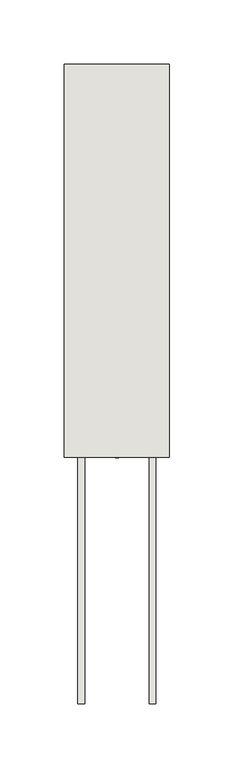
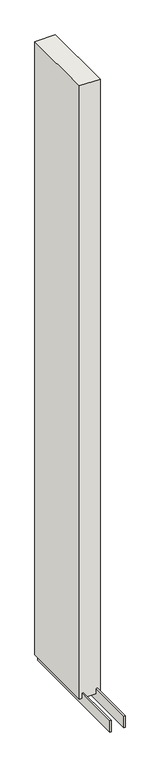
"""IFC4 building model written with IfcOpenShell, lengths in millimetres: wall geometry."""

from ifc_helpers import new_model, si_unit, frame, origin, place, context, project, spatial, polyline, outline, extrude, source, transform, mapped, element, save


def wall_4edbb49a(model_context):
    return source(origin(), model_context, "Body", "SweptSolid", [
        extrude(outline(polyline([(59186.482211, -45379.941371), (59186.482211, -45382.481371), (59183.942211, -45382.481371), (59183.942211, -45379.941371), (59186.482211, -45379.941371)])), frame((0.0, 0.0, 4419.6), z_axis=(0.0, 0.0, 1.0), x_axis=(1.0, 0.0, 0.0)), (0.0, 0.0, 1.0), 2.54),
        extrude(outline(polyline([(59160.1284664, -45077.6857144), (59160.1284664, -45572.9857144), (59155.049711, -45572.9857144), (59155.049711, -45077.6857144), (59160.1284664, -45077.6857144)])), frame((0.0, 0.0, 4418.6602), z_axis=(0.0, 0.0, 1.0), x_axis=(1.0, 0.0, 0.0)), (0.0, 0.0, 1.0), 47.625),
        extrude(outline(polyline([(59160.1284664, -45077.6857144), (59160.1284664, -45572.9857144), (59155.049711, -45572.9857144), (59155.049711, -45077.6857144), (59160.1284664, -45077.6857144)])), frame((0.0, 0.0, 4418.6602), z_axis=(0.0, 0.0, 1.0), x_axis=(1.0, 0.0, 0.0)), (0.0, 0.0, 1.0), 47.625),
        extrude(outline(polyline([(59210.2959556, -45572.9857144), (59210.2959556, -45077.6857144), (59215.374711, -45077.6857144), (59215.374711, -45572.9857144), (59210.2959556, -45572.9857144)])), frame((0.0, 0.0, 4418.6602), z_axis=(0.0, 0.0, 1.0), x_axis=(1.0, 0.0, 0.0)), (0.0, 0.0, 1.0), 47.625),
        extrude(outline(polyline([(59210.2959556, -45572.9857144), (59210.2959556, -45077.6857144), (59215.374711, -45077.6857144), (59215.374711, -45572.9857144), (59210.2959556, -45572.9857144)])), frame((0.0, 0.0, 4418.6602), z_axis=(0.0, 0.0, 1.0), x_axis=(1.0, 0.0, 0.0)), (0.0, 0.0, 1.0), 47.625),
        extrude(outline(polyline([(59144.5573266, -45077.6857144), (59225.8670954, -45077.6857144), (59225.8670954, -45382.4857144), (59144.5573266, -45382.4857144), (59144.5573266, -45077.6857144)])), frame((0.0, 0.0, 4445.0), z_axis=(0.0, 0.0, 1.0), x_axis=(1.0, 0.0, 0.0)), (0.0, 0.0, 1.0), 2562.4536762),
    ])


if __name__ == "__main__":
    model = new_model("IFC4")
    model_context = context("Model", 3, world=origin())
    ifc_project = project(units=[si_unit("LENGTHUNIT", "METRE", prefix="MILLI")], contexts=[model_context])
    site = spatial("IfcSite", under=ifc_project)
    building = spatial("IfcBuilding", under=site)
    placement = place(None, origin())
    wall_shape = wall_4edbb49a(model_context)
    element("IfcWall", 1, at=placement, inside=building, context=model_context, shape_type="MappedRepresentation", body=[
        mapped(wall_shape, transform((0.0, 0.0, 0.0), x_axis=(1.0, 0.0, 0.0), y_axis=(0.0, 1.0, 0.0), z_axis=(0.0, 0.0, 1.0))),
    ])
    save(model, "model.ifc")
